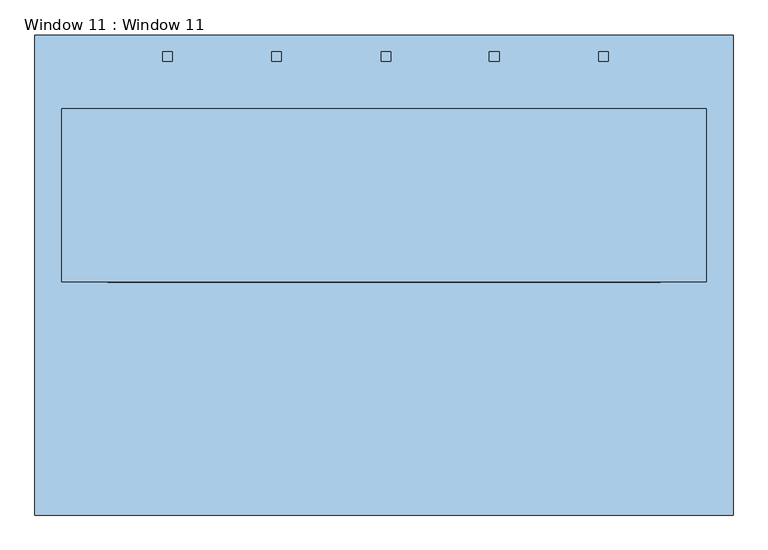
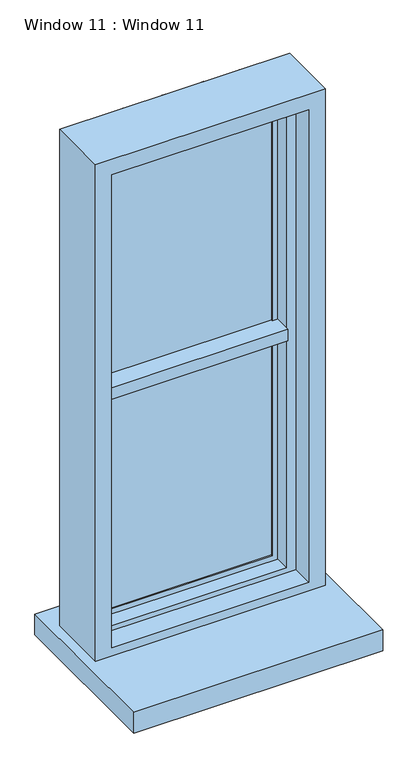
"""IFC4 building model written with IfcOpenShell, lengths in millimetres: window geometry, Window 11 : Window 11."""

from ifc_helpers import new_model, si_unit, frame, origin, place, context, project, spatial, polyline, outline, extrude, source, transform, mapped, element, save


def window_11_window_11_7cfafdbf(model_context):
    return source(origin(), model_context, "Body", "SweptSolid", [
        extrude(outline(polyline([(412.75, 76.0603217), (-412.75, 76.0603217), (-412.75, 203.2837006), (412.75, 203.2837006), (412.75, 76.0603217)])), frame((0.0, 0.0, 2203.45), z_axis=(0.0, 0.0, 1.0), x_axis=(1.0, 0.0, 0.0)), (0.0, 0.0, 1.0), 57.15),
        extrude(outline(polyline([(577.85, -400.05), (-577.85, -400.05), (-577.85, 394.3484214), (577.85, 394.3484214), (577.85, -400.05)])), frame((0.0, 0.0, 914.4), z_axis=(0.0, 0.0, 1.0), x_axis=(1.0, 0.0, 0.0)), (0.0, 0.0, 1.0), 101.6),
        extrude(outline(polyline([(-350.1189614, 366.8613347), (-350.1189614, 351.0865568), (-366.1935908, 351.0865568), (-366.1935908, 366.8613347), (-350.1189614, 366.8613347)])), frame((0.0, 0.0, 1016.0), z_axis=(0.0, 0.0, 1.0), x_axis=(1.0, 0.0, 0.0)), (0.0, 0.0, 1.0), 2362.2),
        extrude(outline(polyline([(-169.985259, 366.8613347), (-169.985259, 351.0865568), (-186.0598884, 351.0865568), (-186.0598884, 366.8613347), (-169.985259, 366.8613347)])), frame((0.0, 0.0, 1016.0), z_axis=(0.0, 0.0, 1.0), x_axis=(1.0, 0.0, 0.0)), (0.0, 0.0, 1.0), 2362.2),
        extrude(outline(polyline([(11.1905522, 366.8613347), (11.1905522, 351.0865568), (-4.8840773, 351.0865568), (-4.8840773, 366.8613347), (11.1905522, 366.8613347)])), frame((0.0, 0.0, 1016.0), z_axis=(0.0, 0.0, 1.0), x_axis=(1.0, 0.0, 0.0)), (0.0, 0.0, 1.0), 2362.2),
        extrude(outline(polyline([(190.5708907, 366.8613347), (190.5708907, 351.0865568), (174.4962613, 351.0865568), (174.4962613, 366.8613347), (190.5708907, 366.8613347)])), frame((0.0, 0.0, 1016.0), z_axis=(0.0, 0.0, 1.0), x_axis=(1.0, 0.0, 0.0)), (0.0, 0.0, 1.0), 2362.2),
        extrude(outline(polyline([(371.2875463, 366.8613347), (371.2875463, 351.0865568), (355.2129169, 351.0865568), (355.2129169, 366.8613347), (371.2875463, 366.8613347)])), frame((0.0, 0.0, 1016.0), z_axis=(0.0, 0.0, 1.0), x_axis=(1.0, 0.0, 0.0)), (0.0, 0.0, 1.0), 2362.2),
        extrude(outline(polyline([(387.35, 165.1), (-387.35, 165.1), (-387.35, 190.5), (387.35, 190.5), (387.35, 165.1)])), frame((0.0, 0.0, 2260.6), z_axis=(0.0, 0.0, 1.0), x_axis=(1.0, 0.0, 0.0)), (0.0, 0.0, 1.0), 1028.7),
        extrude(outline(polyline([(387.35, 165.1), (-387.35, 165.1), (-387.35, 190.5), (387.35, 190.5), (387.35, 165.1)])), frame((0.0, 0.0, 1108.075), z_axis=(0.0, 0.0, 1.0), x_axis=(1.0, 0.0, 0.0)), (0.0, 0.0, 1.0), 1069.975),
        extrude(outline(polyline([(2203.45, -412.75), (1082.675, -412.75), (1082.675, 412.75), (2203.45, 412.75), (2203.45, -412.75)]), holes=[polyline([(1108.075, 387.35), (1108.075, -387.35), (2178.05, -387.35), (2178.05, 387.35), (1108.075, 387.35)])]), frame((0.0, 158.7066886, 0.0), z_axis=(0.0, 1.0, 0.0), x_axis=(0.0, 0.0, 1.0)), (0.0, 0.0, 1.0), 44.45),
        extrude(outline(polyline([(3314.7, 412.75), (3314.7, -412.75), (2260.6, -412.75), (2260.6, -387.35), (3289.3, -387.35), (3289.3, 387.35), (2260.6, 387.35), (2260.6, 412.75), (3314.7, 412.75)])), frame((0.0, 158.7066886, 0.0), z_axis=(0.0, 1.0, 0.0), x_axis=(0.0, 0.0, 1.0)), (0.0, 0.0, 1.0), 44.45),
        extrude(outline(polyline([(3378.2, 457.2), (3378.2, -457.2), (1057.275, -457.2), (1057.275, 457.2), (3378.2, 457.2)]), holes=[polyline([(1082.675, 412.75), (1082.675, -412.75), (3314.7, -412.75), (3314.7, 412.75), (1082.675, 412.75)])]), frame((0.0, 89.7575188, 0.0), z_axis=(0.0, 1.0, 0.0), x_axis=(0.0, 0.0, 1.0)), (0.0, 0.0, 1.0), 113.3991698),
        extrude(outline(polyline([(3454.4, 533.4), (3454.4, -533.4), (1016.0, -533.4), (1016.0, 533.4), (3454.4, 533.4)]), holes=[polyline([(3378.2, 457.2), (1057.275, 457.2), (1057.275, -457.2), (3378.2, -457.2), (3378.2, 457.2)])]), frame((0.0, -14.2922664, 0.0), z_axis=(0.0, 1.0, 0.0), x_axis=(0.0, 0.0, 1.0)), (0.0, 0.0, 1.0), 286.3981247),
    ])


if __name__ == "__main__":
    model = new_model("IFC4")
    model_context = context("Model", 3, world=origin())
    ifc_project = project(units=[si_unit("LENGTHUNIT", "METRE", prefix="MILLI")], contexts=[model_context])
    site = spatial("IfcSite", under=ifc_project)
    building = spatial("IfcBuilding", under=site)
    placement = place(None, origin())
    window_11_window_11_shape = window_11_window_11_7cfafdbf(model_context)
    element("IfcWindow", 1, ObjectType="Window 11 : Window 11", at=placement, inside=building, context=model_context, shape_type="MappedRepresentation", body=[
        mapped(window_11_window_11_shape, transform((0.0, 0.0, 0.0), x_axis=(1.0, 0.0, 0.0), y_axis=(0.0, 1.0, 0.0), z_axis=(0.0, 0.0, 1.0))),
    ])
    save(model, "model.ifc")
